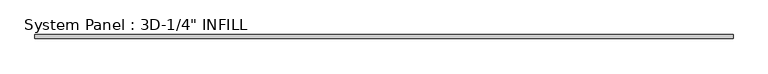
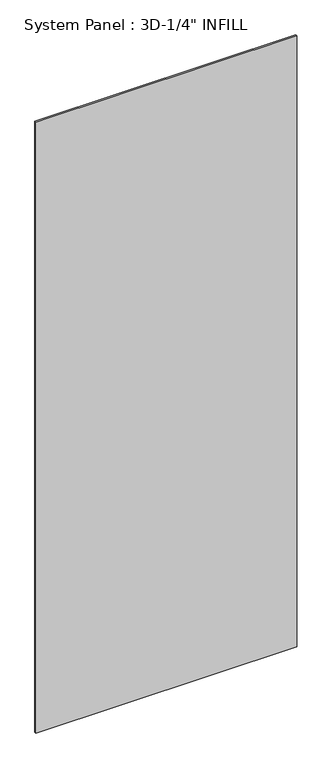
"""IFC4 building model written with IfcOpenShell, lengths in millimetres: plate geometry."""

from ifc_helpers import new_model, si_unit, frame, origin, place, context, project, spatial, polyline, outline, extrude, source, transform, mapped, element, save


def plate_66c17b51(model_context):
    return source(origin(), model_context, "Body", "SweptSolid", [
        extrude(outline(polyline([(0.0, -570.9658619), (0.0, 570.9658619), (1060.4754, 570.9658619), (2825.784925, 570.9658619), (2825.784925, -570.9658619), (1060.4754, -570.9658619), (0.0, -570.9658619)])), frame((0.0, -3.175, 0.0), z_axis=(0.0, 1.0, 0.0), x_axis=(0.0, 0.0, 1.0)), (0.0, 0.0, 1.0), 6.35),
    ])


if __name__ == "__main__":
    model = new_model("IFC4")
    model_context = context("Model", 3, world=origin())
    ifc_project = project(units=[si_unit("LENGTHUNIT", "METRE", prefix="MILLI")], contexts=[model_context])
    site = spatial("IfcSite", under=ifc_project)
    building = spatial("IfcBuilding", under=site)
    placement = place(None, origin())
    plate_shape = plate_66c17b51(model_context)
    element("IfcPlate", 1, ObjectType="System Panel : 3D-1/4\" INFILL", at=placement, inside=building, context=model_context, shape_type="MappedRepresentation", body=[
        mapped(plate_shape, transform((0.0, 0.0, 0.0), x_axis=(1.0, 0.0, 0.0), y_axis=(0.0, 1.0, 0.0), z_axis=(0.0, 0.0, 1.0))),
    ])
    save(model, "model.ifc")
